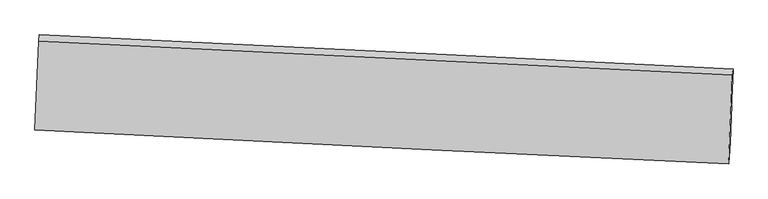
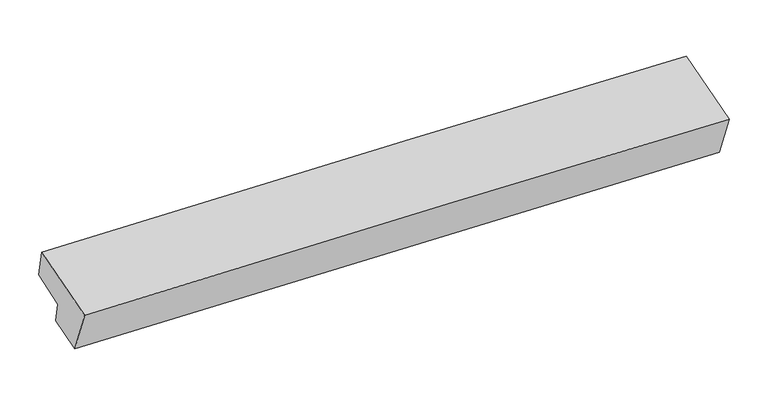
"""IFC4 building model written with IfcOpenShell, lengths in millimetres: proxy geometry."""

from ifc_helpers import new_model, si_unit, frame, origin, place, context, project, spatial, source, transform, mapped, element, save
from ifc_brep_helpers import plane_surface, spline_curve, spline_surface, advanced_brep


def generic_models_479da6f5(model_context):
    return source(origin(), model_context, "Body", "AdvancedBrep", [
        advanced_brep(
        [(-5967.7504877, -1884.3958885, 1343.9833412), (-5939.4851337, -1236.6464098, 1478.2694463), (5400.6197245, -1819.2244577, 1605.6465707), (5373.208146, -2447.4081949, 1475.4166745), (-5993.4711781, -2229.1114552, 2206.0226671), (5347.6924429, -2790.1028103, 2327.6644869), (-5930.0027372, -774.6223477, 2507.5554103), (5411.1608838, -1335.6137028, 2629.1972301), (-5919.6412082, -672.4689326, 2012.621898), (5421.5224128, -1233.4602877, 2134.2637178), (-5947.1517955, -1312.2313623, 1844.4787009), (5393.1796175, -1892.5758272, 1961.0341112)],
        [
            (0, 1),
            (1, 2, spline_curve(3, [(-5939.4851337, -1236.6464098, 1478.2694463), (-3778.144590731, -1360.333312402, 1503.34012968), (-1616.458546043, -1476.801914678, 1527.960837828), (2163.728369749, -1667.819740487, 1570.221964262), (3782.077278341, -1745.543820277, 1588.060298019), (5400.6197245, -1819.2244577, 1605.6465707)], [4, 2, 4], [0.0, 21.308317751796185, 37.25635923609758])),
            (2, 3),
            (3, 0, spline_curve(3, [(5373.208146, -2447.4081949, 1475.4166745), (3755.005673279, -2365.93647406, 1459.445584906), (2136.799061181, -2284.95143686, 1442.28328654), (-1643.517233528, -2096.898530488, 1399.40749724), (-3805.630165423, -1990.212798419, 1372.758684443), (-5967.7504877, -1884.3958885, 1343.9833412)], [4, 2, 4], [0.0, 15.948041484301395, 37.25635923609758])),
            (4, 0),
            (3, 5),
            (5, 4, spline_curve(3, [(5347.6924429, -2790.1028103, 2327.6644869), (3729.024126421, -2716.472537149, 2320.87898464), (2110.538559913, -2640.095757794, 2309.568327264), (-1669.992806387, -2455.255159494, 2272.574145355), (-3831.895113784, -2344.634820071, 2243.337529921), (-5993.4711781, -2229.1114552, 2206.0226671)], [4, 2, 4], [0.0, 15.948002143219657, 37.25626733105234])),
            (6, 4),
            (5, 7),
            (7, 6, spline_curve(3, [(5411.1608838, -1335.6137028, 2629.1972301), (3792.741363606, -1256.281835225, 2623.593735894), (2174.39809314, -1176.644099133, 2612.959112811), (-1606.049651275, -989.887145181, 2576.362214353), (-3768.094254484, -882.52776283, 2546.449563894), (-5930.0027372, -774.6223477, 2507.5554103)], [4, 2, 4], [0.0, 15.948065460149685, 37.25641524628652])),
            (8, 6),
            (7, 9),
            (9, 8, spline_curve(3, [(5421.5224128, -1233.4602877, 2134.2637178), (3803.650456222, -1148.730035563, 2102.505037372), (2185.620358296, -1066.004759342, 2076.911277342), (-1594.643344565, -877.433360683, 2031.523391339), (-3757.001120217, -773.161518236, 2016.569878721), (-5919.6412082, -672.4689326, 2012.621898)], [4, 2, 4], [0.0, 15.947965906040515, 37.256182677061126])),
            (10, 8),
            (9, 11),
            (11, 10, spline_curve(3, [(5393.1796175, -1892.5758272, 1961.0341112), (3774.54189627, -1819.83449722, 1947.998783268), (2156.124658807, -1742.784067303, 1933.424287933), (-1624.15893301, -1552.71935981, 1895.781018514), (-3785.852167084, -1436.321634539, 1871.503710697), (-5947.1517955, -1312.2313623, 1844.4787009)], [4, 2, 4], [0.0, 15.948044814290416, 37.25636701531406])),
            (1, 10),
            (11, 2),
        ],
        [
            spline_surface(3, 3, [[(-5967.7504877, -1884.3958885, 1343.9833412), (-3805.63016562, -1990.212798568, 1372.758684372), (-1643.517233295, -2096.898530377, 1399.40749703), (2136.799061007, -2284.951436943, 1442.283286697), (3755.005673251, -2365.936473926, 1459.445585149), (5373.208146, -2447.4081949, 1475.4166745)], [(-5958.328703035, -1668.479395627, 1388.745376236), (-3796.468307401, -1780.252969816, 1416.285832696), (-1634.497670986, -1890.199658526, 1442.258610535), (2145.775497341, -2079.240871416, 1484.929512647), (3764.029541555, -2159.138922765, 1502.317156039), (5382.345338846, -2238.013615829, 1518.826639899)], [(-5948.906918365, -1452.562902673, 1433.507411264), (-3787.306449177, -1570.293140982, 1459.812981011), (-1625.478108686, -1683.500786684, 1485.109723998), (2154.751933665, -1873.530305898, 1527.575738555), (3773.053409821, -1952.341371617, 1545.188726931), (5391.482531654, -2028.619036771, 1562.236605301)], [(-5939.4851337, -1236.6464098, 1478.2694463), (-3778.144590958, -1360.33331223, 1503.340129335), (-1616.458546377, -1476.801914833, 1527.960837503), (2163.728369999, -1667.819740371, 1570.221964505), (3782.077278124, -1745.543820456, 1588.060297821), (5400.6197245, -1819.2244577, 1605.6465707)]], [4, 4], [4, 2, 4], [0.0, 2.0773378949382018], [0.0, 21.308317751796185, 37.25635923609758]),
            spline_surface(3, 3, [[(-5993.4711781, -2229.1114552, 2206.0226671), (-3831.895113995, -2344.634820049, 2243.337529763), (-1669.992806596, -2455.25515927, 2272.574145413), (2110.53856007, -2640.095757962, 2309.568327221), (3729.024126386, -2716.472537119, 2320.878984824), (5347.6924429, -2790.1028103, 2327.6644869)], [(-5984.897614648, -2114.206266286, 1918.676225141), (-3823.140131217, -2226.494146208, 1953.144581308), (-1661.16761549, -2335.802949648, 1981.518595956), (2119.292060388, -2521.714317631, 2020.473313717), (3737.684642016, -2599.627182718, 2033.734518263), (5356.197677275, -2675.871271829, 2043.581882764)], [(-5976.324051152, -1999.301077414, 1631.329783159), (-3814.385148397, -2108.353472409, 1662.951632828), (-1652.342424402, -2216.350739999, 1690.463046486), (2128.045560689, -2403.332877273, 1731.378300201), (3746.345157621, -2482.781828328, 1746.590051711), (5364.702911625, -2561.639733371, 1759.499278636)], [(-5967.7504877, -1884.3958885, 1343.9833412), (-3805.63016562, -1990.212798568, 1372.758684372), (-1643.517233295, -2096.898530377, 1399.40749703), (2136.799061007, -2284.951436943, 1442.283286697), (3755.005673251, -2365.936473926, 1459.445585149), (5373.208146, -2447.4081949, 1475.4166745)]], [4, 4], [4, 2, 4], [0.0, 3.088829864158044], [0.0, 21.308265187832685, 37.25626733105234]),
            spline_surface(3, 3, [[(-5930.0027372, -774.6223477, 2507.5554103), (-3768.094254376, -882.527762603, 2546.449563817), (-1606.049651096, -989.887144926, 2576.36221423), (2174.398093006, -1176.644099324, 2612.959112902), (3792.74136344, -1256.28183538, 2623.593735743), (5411.1608838, -1335.6137028, 2629.1972301)], [(-5951.158884167, -1259.45205019, 2407.044495916), (-3789.361207583, -1369.896781742, 2445.412219148), (-1627.364036273, -1478.343149698, 2475.099524622), (2153.111582017, -1664.461318861, 2511.828851006), (3771.502284421, -1743.012069283, 2522.688818785), (5390.004736833, -1820.44340529, 2528.686315716)], [(-5972.315031133, -1744.28175271, 2306.533581484), (-3810.628160788, -1857.26580091, 2344.374874432), (-1648.678421419, -1966.799154498, 2373.836835022), (2131.825071059, -2152.278538425, 2410.698589117), (3750.263205405, -2229.742303216, 2421.783901781), (5368.848589867, -2305.27310781, 2428.175401284)], [(-5993.4711781, -2229.1114552, 2206.0226671), (-3831.895113995, -2344.634820049, 2243.337529763), (-1669.992806596, -2455.25515927, 2272.574145413), (2110.53856007, -2640.095757962, 2309.568327221), (3729.024126386, -2716.472537119, 2320.878984824), (5347.6924429, -2790.1028103, 2327.6644869)]], [4, 4], [4, 2, 4], [0.0, 4.911360382461332], [0.0, 21.308349786136837, 37.25641524628652]),
            spline_surface(3, 3, [[(-5919.6412082, -672.4689326, 2012.621898), (-3757.001120479, -773.161518334, 2016.569878928), (-1594.643344696, -877.433360625, 2031.523391657), (2185.620358394, -1066.004759386, 2076.911277105), (3803.650456325, -1148.730035472, 2102.505037629), (5421.5224128, -1233.4602877, 2134.2637178)], [(-5923.095051204, -706.520070963, 2177.59973542), (-3760.698831782, -809.616933087, 2193.196440544), (-1598.445446815, -914.917955373, 2213.136332525), (2181.879603279, -1102.884539346, 2255.593889048), (3800.014092026, -1184.580635438, 2276.20127032), (5418.068569796, -1267.511426063, 2299.24155522)], [(-5926.548894196, -740.571209337, 2342.57757288), (-3764.396543073, -846.07234785, 2369.823002201), (-1602.247548977, -952.402550178, 2394.749273361), (2178.138848121, -1139.764319363, 2434.276500959), (3796.377727739, -1220.431235414, 2449.897503052), (5414.614726804, -1301.562564437, 2464.21939268)], [(-5930.0027372, -774.6223477, 2507.5554103), (-3768.094254376, -882.527762603, 2546.449563817), (-1606.049651096, -989.887144926, 2576.36221423), (2174.398093006, -1176.644099324, 2612.959112902), (3792.74136344, -1256.28183538, 2623.593735743), (5411.1608838, -1335.6137028, 2629.1972301)]], [4, 4], [4, 2, 4], [0.0, 1.8119215678240128], [0.0, 21.30821677102061, 37.256182677061126]),
            spline_surface(3, 3, [[(-5947.1517955, -1312.2313623, 1844.4787009), (-3785.852166962, -1436.321634313, 1871.503710419), (-1624.158933181, -1552.719359632, 1895.781018434), (2156.124658935, -1742.784067435, 1933.424287993), (3774.541896206, -1819.834497107, 1947.998783453), (5393.1796175, -1892.5758272, 1961.0341112)], [(-5937.981599737, -1098.977219081, 1900.526433256), (-3776.235151472, -1215.268262334, 1919.859099911), (-1614.320403708, -1327.624026641, 1941.028476174), (2165.956558733, -1517.190964763, 1981.253284363), (3784.244749577, -1596.133009915, 1999.500868195), (5402.627215932, -1672.870647387, 2018.777313416)], [(-5928.811403963, -885.723075819, 1956.574165644), (-3766.61813597, -994.214890313, 1968.214489435), (-1604.48187417, -1102.528693616, 1986.275933917), (2175.788458596, -1291.597862057, 2029.082280735), (3793.947602954, -1372.431522664, 2051.002952887), (5412.074814368, -1453.165467513, 2076.520515584)], [(-5919.6412082, -672.4689326, 2012.621898), (-3757.001120479, -773.161518334, 2016.569878928), (-1594.643344696, -877.433360625, 2031.523391657), (2185.620358394, -1066.004759386, 2076.911277105), (3803.650456325, -1148.730035472, 2102.505037629), (5421.5224128, -1233.4602877, 2134.2637178)]], [4, 4], [4, 2, 4], [0.0, 2.2641108325685], [0.0, 21.308322201023646, 37.25636701531406]),
            spline_surface(3, 3, [[(-5939.4851337, -1236.6464098, 1478.2694463), (-3778.144590958, -1360.33331223, 1503.340129335), (-1616.458546377, -1476.801914833, 1527.960837503), (2163.728369999, -1667.819740371, 1570.221964505), (3782.077278124, -1745.543820456, 1588.060297821), (5400.6197245, -1819.2244577, 1605.6465707)], [(-5942.040687609, -1261.841393953, 1600.339197831), (-3780.713782935, -1385.66275291, 1626.061323028), (-1619.02534197, -1502.107729777, 1650.567564454), (2161.193799652, -1692.807849403, 1691.289405643), (3779.565484137, -1770.307379341, 1708.039793017), (5398.139688819, -1843.674914202, 1724.109084186)], [(-5944.596241591, -1287.036378147, 1722.408949369), (-3783.282974985, -1410.992193632, 1748.782516726), (-1621.592137588, -1527.413544688, 1773.174291482), (2158.659229282, -1717.795958402, 1812.356846856), (3777.053690193, -1795.070938222, 1828.019288256), (5395.659653181, -1868.125370698, 1842.571597714)], [(-5947.1517955, -1312.2313623, 1844.4787009), (-3785.852166962, -1436.321634313, 1871.503710419), (-1624.158933181, -1552.719359632, 1895.781018434), (2156.124658935, -1742.784067435, 1933.424287993), (3774.541896206, -1819.834497107, 1947.998783453), (5393.1796175, -1892.5758272, 1961.0341112)]], [4, 4], [4, 2, 4], [0.0, 1.2265784004445937], [0.0, 21.30849735089854, 37.2566732547242]),
            plane_surface(frame((5391.2305379, -1919.7308801, 2022.2037985), z_axis=(0.9988781061869002, -0.045956124601296326, 0.011426442670489175), x_axis=(-0.020498723228520144, -0.20209513292074524, 0.9791513466240788))),
            plane_surface(frame((-5949.5837567, -1351.5793994, 1898.8219106), z_axis=(-0.9988781061869003, 0.04595612460129578, -0.011426442670488033), x_axis=(-0.04268877283867921, -0.9782870702720023, -0.20281044552031868))),
        ],
        [
            (0, [[1, 2, 3, 4]]),
            (1, [[5, -4, 6, 7]]),
            (2, [[8, -7, 9, 10]]),
            (3, [[11, -10, 12, 13]]),
            (4, [[14, -13, 15, 16]]),
            (5, [[17, -16, 18, -2]]),
            (6, [[-12, -9, -6, -3, -18, -15]]),
            (7, [[-1, -5, -8, -11, -14, -17]]),
        ],
    ),
    ])


if __name__ == "__main__":
    model = new_model("IFC4")
    model_context = context("Model", 3, world=origin())
    ifc_project = project(units=[si_unit("LENGTHUNIT", "METRE", prefix="MILLI")], contexts=[model_context])
    site = spatial("IfcSite", under=ifc_project)
    building = spatial("IfcBuilding", under=site)
    placement = place(None, origin())
    generic_models_shape = generic_models_479da6f5(model_context)
    element("IfcBuildingElementProxy", 1, Name="Generic Models", at=placement, inside=building, context=model_context, shape_type="MappedRepresentation", body=[
        mapped(generic_models_shape, transform((0.0, 0.0, 0.0), x_axis=(1.0, 0.0, 0.0), y_axis=(0.0, 1.0, 0.0), z_axis=(0.0, 0.0, 1.0))),
    ])
    save(model, "model.ifc")
